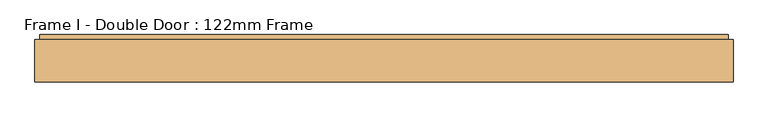
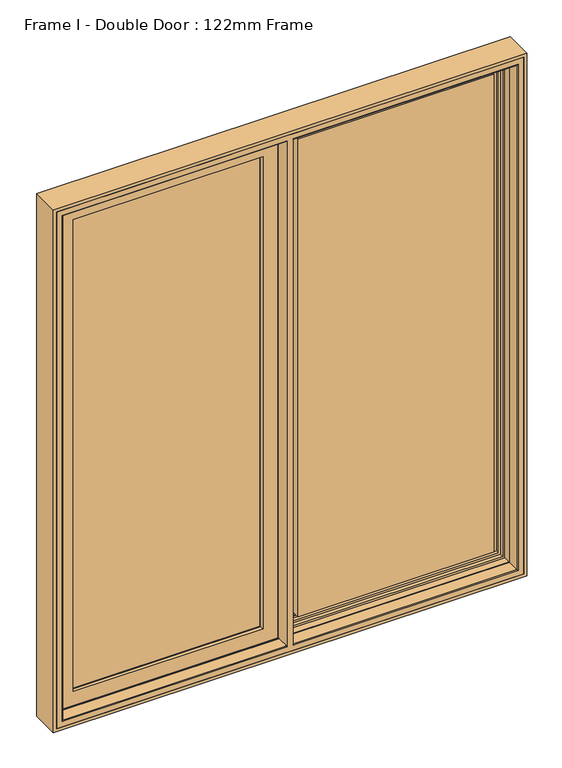
"""IFC4 building model written with IfcOpenShell, lengths in millimetres: door geometry, Frame I - Double Door : 122mm Frame."""

from ifc_helpers import new_model, si_unit, frame, origin, place, context, project, spatial, polyline, circle_curve, ellipse_curve, outline, extrude, source, transform, mapped, element, save
from ifc_brep_helpers import plane_surface, cylinder_surface, revolved_surface, advanced_brep


def frame_i_double_door_122mm_frame_8d9b63d0(model_context):
    return source(origin(), model_context, "Body", "SolidModel", [
        extrude(outline(polyline([(-810.0, 141.0), (-65.6, 141.0), (-65.6, 93.0), (-810.0, 93.0), (-810.0, 141.0)])), frame((0.0, 0.0, 90.0), z_axis=(0.0, 0.0, 1.0), x_axis=(1.0, 0.0, 0.0)), (0.0, 0.0, 1.0), 1920.0),
        advanced_brep(
        [(-43.2001533, 153.0, 2032.3998467), (-43.2001533, 148.4070391, 2032.3998467), (-43.2001533, 148.4070391, 67.6001533), (-43.2001533, 153.0, 67.6001533), (-37.9260611, 139.5531262, 2037.6739389), (-37.9260611, 139.5531262, 62.3260611), (-832.3998467, 148.4070391, 67.6001533), (-832.3998467, 153.0, 67.6001533), (-832.3998467, 153.0, 2032.3998467), (-62.6368924, 153.0, 2012.9631076), (-812.9631076, 153.0, 2012.9631076), (-812.9631076, 153.0, 87.0368924), (-62.6368924, 153.0, 87.0368924), (-36.0866045, 139.5531262, 60.4866045), (-839.5133955, 139.5531262, 60.4866045), (-839.5133955, 139.5531262, 2039.5133955), (-36.0866045, 139.5531262, 2039.5133955), (-837.6739389, 139.5531262, 2037.6739389), (-837.6739389, 139.5531262, 62.3260611), (-36.0866045, 121.0, 2039.5133955), (-36.0866045, 121.0, 60.4866045), (-26.0866045, 121.0, 50.4866045), (-849.5133955, 121.0, 50.4866045), (-849.5133955, 121.0, 2049.5133955), (-26.0866045, 121.0, 2049.5133955), (-839.5133955, 121.0, 2039.5133955), (-839.5133955, 121.0, 60.4866045), (-26.0866045, 88.5, 2049.5133955), (-26.0866045, 88.5, 50.4866045), (-15.3023, 88.5, 39.7023001), (-860.2977, 88.5, 39.7023001), (-860.2977, 88.5, 2060.2977), (-15.3023, 88.5, 2060.2977), (-849.5133955, 88.5, 2049.5133955), (-849.5133955, 88.5, 50.4866045), (-15.3023, 83.5, 2060.2977), (-15.3023, 83.5, 39.7023001), (-860.2977, 83.5, 2060.2977), (-860.2977, 83.5, 39.7023001), (-22.1, 83.5, 46.5), (-853.5, 83.5, 46.5), (-853.5, 83.5, 2053.5), (-22.1, 83.5, 2053.5), (-22.1, 78.0, 2053.5), (-22.1, 78.0, 46.5), (-853.5, 78.0, 2053.5), (-853.5, 78.0, 46.5), (-77.2842184, 78.0, 101.6842184), (-798.3157816, 78.0, 101.6842184), (-798.3157816, 78.0, 1998.3157816), (-77.2842184, 78.0, 1998.3157816), (-79.5996933, 88.8934531, 1996.0003067), (-79.5996933, 88.8934531, 103.9996933), (-79.5996933, 93.0, 1996.0003067), (-79.5996933, 93.0, 103.9996933), (-796.0003067, 88.8934531, 103.9996933), (-65.6, 93.0, 90.0), (-810.0, 93.0, 90.0), (-810.0, 93.0, 2010.0), (-65.6, 93.0, 2010.0), (-796.0003067, 93.0, 1996.0003067), (-796.0003067, 93.0, 103.9996933), (-65.6, 141.0, 2010.0), (-65.6, 141.0, 90.0), (-810.0, 141.0, 2010.0), (-810.0, 141.0, 90.0), (-80.0121514, 141.0, 104.4121514), (-795.5878486, 141.0, 104.4121514), (-795.5878486, 141.0, 1995.5878486), (-80.0121514, 141.0, 1995.5878486), (-76.3433832, 153.0, 1999.2566168), (-76.3433832, 153.0, 100.7433832), (-69.5650956, 153.0, 93.9650956), (-806.0349044, 153.0, 93.9650956), (-806.0349044, 153.0, 2006.0349044), (-69.5650956, 153.0, 2006.0349044), (-799.2566168, 153.0, 1999.2566168), (-799.2566168, 153.0, 100.7433832), (-68.2660575, 152.25, 2007.3339425), (-68.2660575, 152.25, 92.6660575), (-63.9359305, 152.25, 2011.6640695), (-63.9359305, 152.25, 88.3359305), (-807.3339425, 152.25, 92.6660575), (-811.6640695, 152.25, 88.3359305), (-832.3998467, 148.4070391, 2032.3998467), (-796.0003067, 88.8934531, 1996.0003067), (-807.3339425, 152.25, 2007.3339425), (-811.6640695, 152.25, 2011.6640695)],
        [
            (0, 1),
            (1, 2),
            (2, 3),
            (3, 0),
            (1, 4),
            (4, 5),
            (5, 2),
            (2, 6),
            (6, 7),
            (7, 3),
            (7, 8),
            (8, 0),
            (9, 10),
            (10, 11),
            (11, 12),
            (12, 9),
            (13, 14),
            (14, 15),
            (15, 16),
            (16, 13),
            (4, 17),
            (17, 18),
            (18, 5),
            (18, 6),
            (16, 19),
            (19, 20),
            (20, 13),
            (21, 22),
            (22, 23),
            (23, 24),
            (24, 21),
            (19, 25),
            (25, 26),
            (26, 20),
            (26, 14),
            (24, 27),
            (27, 28),
            (28, 21),
            (29, 30),
            (30, 31),
            (31, 32),
            (32, 29),
            (27, 33),
            (33, 34),
            (34, 28),
            (34, 22),
            (32, 35),
            (35, 36),
            (36, 29),
            (35, 37),
            (37, 38),
            (38, 36),
            (39, 40),
            (40, 41),
            (41, 42),
            (42, 39),
            (38, 30),
            (42, 43),
            (43, 44),
            (44, 39),
            (43, 45),
            (45, 46),
            (46, 44),
            (47, 48),
            (48, 49),
            (49, 50),
            (50, 47),
            (46, 40),
            (50, 51),
            (51, 52),
            (52, 47),
            (51, 53),
            (53, 54),
            (54, 52),
            (52, 55),
            (55, 48),
            (56, 57),
            (57, 58),
            (58, 59),
            (59, 56),
            (53, 60),
            (60, 61),
            (61, 54),
            (61, 55),
            (59, 62),
            (62, 63),
            (63, 56),
            (62, 64),
            (64, 65),
            (65, 63),
            (66, 67),
            (67, 68),
            (68, 69),
            (69, 66),
            (65, 57),
            (69, 70),
            (70, 71),
            (71, 66),
            (72, 73),
            (73, 74),
            (74, 75),
            (75, 72),
            (70, 76),
            (76, 77),
            (77, 71),
            (77, 67),
            (75, 78, ellipse_curve(frame((-69.5650956, 151.5, 2006.0349044), z_axis=(0.7071067811865472, 0.0, -0.7071067811865478), x_axis=(0.7071067811865478, 0.0, 0.7071067811865474)), 2.1213203, 1.5)),
            (78, 79),
            (79, 72, ellipse_curve(frame((-69.5650956, 151.5, 93.9650956), z_axis=(0.7071067811865476, 0.0, 0.7071067811865474), x_axis=(-0.7071067811865474, 0.0, 0.7071067811865478)), 2.1213203, 1.5)),
            (78, 80, ellipse_curve(frame((-66.100994, 153.5, 2009.499006), z_axis=(-0.7071067811865472, 0.0, 0.7071067811865478), x_axis=(-0.7071067811865478, 0.0, -0.7071067811865474)), 3.5355339, 2.5)),
            (80, 81),
            (81, 79, ellipse_curve(frame((-66.100994, 153.5, 90.500994), z_axis=(-0.7071067811865476, 0.0, -0.7071067811865474), x_axis=(0.7071067811865474, 0.0, -0.7071067811865478)), 3.5355339, 2.5)),
            (79, 82),
            (82, 73, ellipse_curve(frame((-806.0349044, 151.5, 93.9650956), z_axis=(0.7071067811865474, 0.0, -0.7071067811865476), x_axis=(0.7071067811865478, 0.0, 0.7071067811865474)), 2.1213203, 1.5)),
            (80, 9, ellipse_curve(frame((-62.6368924, 151.5, 2012.9631076), z_axis=(0.7071067811865472, 0.0, -0.7071067811865478), x_axis=(0.7071067811865478, 0.0, 0.7071067811865474)), 2.1213203, 1.5)),
            (12, 81, ellipse_curve(frame((-62.6368924, 151.5, 87.0368924), z_axis=(0.7071067811865476, 0.0, 0.7071067811865474), x_axis=(-0.7071067811865474, 0.0, 0.7071067811865478)), 2.1213203, 1.5)),
            (81, 83),
            (83, 82, ellipse_curve(frame((-809.499006, 153.5, 90.500994), z_axis=(-0.7071067811865474, 0.0, 0.7071067811865476), x_axis=(-0.7071067811865478, 0.0, -0.7071067811865474)), 3.5355339, 2.5)),
            (11, 83, ellipse_curve(frame((-812.9631076, 151.5, 87.0368924), z_axis=(0.7071067811865474, 0.0, -0.7071067811865476), x_axis=(0.7071067811865478, 0.0, 0.7071067811865474)), 2.1213203, 1.5)),
            (6, 84),
            (84, 8),
            (17, 84),
            (25, 15),
            (33, 23),
            (37, 31),
            (45, 41),
            (55, 85),
            (85, 49),
            (60, 85),
            (64, 58),
            (76, 68),
            (82, 86),
            (86, 74, ellipse_curve(frame((-806.0349044, 151.5, 2006.0349044), z_axis=(-0.7071067811865478, 0.0, -0.7071067811865472), x_axis=(0.7071067811865471, 0.0, -0.7071067811865478)), 2.1213203, 1.5)),
            (83, 87),
            (87, 86, ellipse_curve(frame((-809.499006, 153.5, 2009.499006), z_axis=(0.7071067811865478, 0.0, 0.7071067811865472), x_axis=(-0.7071067811865471, 0.0, 0.7071067811865478)), 3.5355339, 2.5)),
            (10, 87, ellipse_curve(frame((-812.9631076, 151.5, 2012.9631076), z_axis=(-0.7071067811865478, 0.0, -0.7071067811865472), x_axis=(0.7071067811865471, 0.0, -0.7071067811865478)), 2.1213203, 1.5)),
            (84, 1),
            (85, 51),
            (86, 78),
            (87, 80),
        ],
        [
            plane_surface(frame((-43.2001533, 148.4070391, 2032.3998467), z_axis=(1.0, 0.0, 0.0), x_axis=(0.0, 0.0, -1.0))),
            plane_surface(frame((-37.9260611, 139.5531262, 2037.6739389), z_axis=(0.8591262587254928, 0.5117636872310675, 0.0), x_axis=(0.0, 0.0, -1.0))),
            plane_surface(frame((-43.2001533, 148.4070391, 67.6001533), z_axis=(0.0, 0.0, -1.0), x_axis=(-1.0, 0.0, 0.0))),
            plane_surface(frame((-832.3998467, 153.0, 2032.3998467), z_axis=(0.0, 1.0, 0.0), x_axis=(1.0, 0.0, 0.0))),
            plane_surface(frame((-839.5133955, 139.5531262, 2039.5133955), z_axis=(0.0, 1.0, 0.0), x_axis=(1.0, 0.0, 0.0))),
            plane_surface(frame((-37.9260611, 139.5531262, 62.3260611), z_axis=(0.0, 0.5117636872310675, -0.8591262587254928), x_axis=(-1.0, 0.0, 0.0))),
            plane_surface(frame((-36.0866045, 121.0, 2039.5133955), z_axis=(1.0, 0.0, 0.0), x_axis=(0.0, 0.0, -1.0))),
            plane_surface(frame((-849.5133955, 121.0, 2049.5133955), z_axis=(0.0, 1.0, 0.0), x_axis=(1.0, 0.0, 0.0))),
            plane_surface(frame((-36.0866045, 121.0, 60.4866045), z_axis=(0.0, 0.0, -1.0), x_axis=(-1.0, 0.0, 0.0))),
            plane_surface(frame((-26.0866045, 88.5, 2049.5133955), z_axis=(1.0, 0.0, 0.0), x_axis=(0.0, 0.0, -1.0))),
            plane_surface(frame((-860.2977, 88.5, 2060.2977), z_axis=(0.0, 1.0, 0.0), x_axis=(1.0, 0.0, 0.0))),
            plane_surface(frame((-26.0866045, 88.5, 50.4866045), z_axis=(0.0, 0.0, -1.0), x_axis=(-1.0, 0.0, 0.0))),
            plane_surface(frame((-15.3023, 83.5, 2060.2977), z_axis=(1.0, 0.0, 0.0), x_axis=(0.0, 0.0, -1.0))),
            plane_surface(frame((-853.5, 83.5, 2053.5), z_axis=(0.0, -1.0, 0.0), x_axis=(1.0, 0.0, 0.0))),
            plane_surface(frame((-15.3023, 83.5, 39.7023001), z_axis=(0.0, 0.0, -1.0), x_axis=(-1.0, 0.0, 0.0))),
            plane_surface(frame((-22.1, 78.0, 2053.5), z_axis=(1.0, 0.0, 0.0), x_axis=(0.0, 0.0, -1.0))),
            plane_surface(frame((-798.3157816, 78.0, 1998.3157816), z_axis=(0.0, -1.0, 0.0), x_axis=(1.0, 0.0, 0.0))),
            plane_surface(frame((-22.1, 78.0, 46.5), z_axis=(0.0, 0.0, -1.0), x_axis=(-1.0, 0.0, 0.0))),
            plane_surface(frame((-79.5996933, 88.8934531, 1996.0003067), z_axis=(-0.9781476007338059, -0.20791169081775832, 0.0), x_axis=(0.0, 0.0, -1.0))),
            plane_surface(frame((-79.5996933, 93.0, 1996.0003067), z_axis=(-1.0, 0.0, 0.0), x_axis=(0.0, 0.0, -1.0))),
            plane_surface(frame((-79.5996933, 88.8934531, 103.9996933), z_axis=(0.0, -0.20791169081775832, 0.9781476007338059), x_axis=(-1.0, 0.0, 0.0))),
            plane_surface(frame((-810.0, 93.0, 2010.0), z_axis=(0.0, 1.0, 0.0), x_axis=(1.0, 0.0, 0.0))),
            plane_surface(frame((-79.5996933, 93.0, 103.9996933), z_axis=(0.0, 0.0, 1.0), x_axis=(-1.0, 0.0, 0.0))),
            plane_surface(frame((-65.6, 141.0, 2010.0), z_axis=(-1.0, 0.0, 0.0), x_axis=(0.0, 0.0, -1.0))),
            plane_surface(frame((-795.5878486, 141.0, 1995.5878486), z_axis=(0.0, -1.0, 0.0), x_axis=(1.0, 0.0, 0.0))),
            plane_surface(frame((-65.6, 141.0, 90.0), z_axis=(0.0, 0.0, 1.0), x_axis=(-1.0, 0.0, 0.0))),
            plane_surface(frame((-76.3433832, 153.0, 1999.2566168), z_axis=(-0.9563047559629768, 0.2923717047229288, 0.0), x_axis=(0.0, 0.0, -1.0))),
            plane_surface(frame((-806.0349044, 153.0, 2006.0349044), z_axis=(0.0, 1.0, 0.0), x_axis=(1.0, 0.0, 0.0))),
            plane_surface(frame((-76.3433832, 153.0, 100.7433832), z_axis=(0.0, 0.2923717047229288, 0.9563047559629768), x_axis=(-1.0, 0.0, 0.0))),
            cylinder_surface(frame((-69.5650956, 151.5, 2037.6), z_axis=(0.0, 0.0, 1.0), x_axis=(0.0, 1.0, 0.0)), 1.5),
            revolved_surface(polyline([(-66.100994, 156.0, 88.00099400419504), (-66.100994, 156.0, 2011.999005995805)]), (-66.100994, 153.5, 2037.6), (0.0, 0.0, -1.0)),
            cylinder_surface(frame((-38.0, 151.5, 93.9650956), z_axis=(1.0, 0.0, 0.0), x_axis=(0.0, 1.0, 0.0)), 1.5),
            cylinder_surface(frame((-62.6368924, 151.5, 2037.6), z_axis=(0.0, 0.0, 1.0), x_axis=(0.0, 1.0, 0.0)), 1.5),
            revolved_surface(polyline([(-811.999005995805, 156.0, 90.500994), (-63.60099400419508, 156.0, 90.500994)]), (-38.0, 153.5, 90.500994), (-1.0, 0.0, 0.0)),
            cylinder_surface(frame((-38.0, 151.5, 87.0368924), z_axis=(1.0, 0.0, 0.0), x_axis=(0.0, 1.0, 0.0)), 1.5),
            plane_surface(frame((-832.3998467, 148.4070391, 67.6001533), z_axis=(-1.0, 0.0, 0.0), x_axis=(0.0, 0.0, 1.0))),
            plane_surface(frame((-837.6739389, 139.5531262, 62.3260611), z_axis=(-0.8591262587254928, 0.5117636872310675, 0.0), x_axis=(0.0, 0.0, 1.0))),
            plane_surface(frame((-839.5133955, 121.0, 60.4866045), z_axis=(-1.0, 0.0, 0.0), x_axis=(0.0, 0.0, 1.0))),
            plane_surface(frame((-849.5133955, 88.5, 50.4866045), z_axis=(-1.0, 0.0, 0.0), x_axis=(0.0, 0.0, 1.0))),
            plane_surface(frame((-860.2977, 83.5, 39.7023001), z_axis=(-1.0, 0.0, 0.0), x_axis=(0.0, 0.0, 1.0))),
            plane_surface(frame((-853.5, 78.0, 46.5), z_axis=(-1.0, 0.0, 0.0), x_axis=(0.0, 0.0, 1.0))),
            plane_surface(frame((-796.0003067, 88.8934531, 103.9996933), z_axis=(0.9781476007338059, -0.20791169081775832, 0.0), x_axis=(0.0, 0.0, 1.0))),
            plane_surface(frame((-796.0003067, 93.0, 103.9996933), z_axis=(1.0, 0.0, 0.0), x_axis=(0.0, 0.0, 1.0))),
            plane_surface(frame((-810.0, 141.0, 90.0), z_axis=(1.0, 0.0, 0.0), x_axis=(0.0, 0.0, 1.0))),
            plane_surface(frame((-799.2566168, 153.0, 100.7433832), z_axis=(0.9563047559629768, 0.2923717047229288, 0.0), x_axis=(0.0, 0.0, 1.0))),
            cylinder_surface(frame((-806.0349044, 151.5, 62.4), z_axis=(0.0, 0.0, -1.0), x_axis=(0.0, 1.0, 0.0)), 1.5),
            revolved_surface(polyline([(-809.499006, 156.0, 2011.999005995805), (-809.499006, 156.0, 88.00099400419509)]), (-809.499006, 153.5, 62.4), (0.0, 0.0, 1.0)),
            cylinder_surface(frame((-812.9631076, 151.5, 62.4), z_axis=(0.0, 0.0, -1.0), x_axis=(0.0, 1.0, 0.0)), 1.5),
            plane_surface(frame((-832.3998467, 148.4070391, 2032.3998467), z_axis=(0.0, 0.0, 1.0), x_axis=(1.0, 0.0, 0.0))),
            plane_surface(frame((-837.6739389, 139.5531262, 2037.6739389), z_axis=(0.0, 0.5117636872310676, 0.8591262587254928), x_axis=(1.0, 0.0, 0.0))),
            plane_surface(frame((-839.5133955, 121.0, 2039.5133955), z_axis=(0.0, 0.0, 1.0), x_axis=(1.0, 0.0, 0.0))),
            plane_surface(frame((-849.5133955, 88.5, 2049.5133955), z_axis=(0.0, 0.0, 1.0), x_axis=(1.0, 0.0, 0.0))),
            plane_surface(frame((-860.2977, 83.5, 2060.2977), z_axis=(0.0, 0.0, 1.0), x_axis=(1.0, 0.0, 0.0))),
            plane_surface(frame((-853.5, 78.0, 2053.5), z_axis=(0.0, 0.0, 1.0), x_axis=(1.0, 0.0, 0.0))),
            plane_surface(frame((-796.0003067, 88.8934531, 1996.0003067), z_axis=(0.0, -0.20791169081775837, -0.9781476007338059), x_axis=(1.0, 0.0, 0.0))),
            plane_surface(frame((-796.0003067, 93.0, 1996.0003067), z_axis=(0.0, 0.0, -1.0), x_axis=(1.0, 0.0, 0.0))),
            plane_surface(frame((-810.0, 141.0, 2010.0), z_axis=(0.0, 0.0, -1.0), x_axis=(1.0, 0.0, 0.0))),
            plane_surface(frame((-799.2566168, 153.0, 1999.2566168), z_axis=(0.0, 0.29237170472292884, -0.9563047559629768), x_axis=(1.0, 0.0, 0.0))),
            cylinder_surface(frame((-837.6, 151.5, 2006.0349044), z_axis=(-1.0, 0.0, 0.0), x_axis=(0.0, 1.0, 0.0)), 1.5),
            revolved_surface(polyline([(-63.60099400419506, 156.0, 2009.499006), (-811.999005995805, 156.0, 2009.499006)]), (-837.6, 153.5, 2009.499006), (1.0, 0.0, 0.0)),
            cylinder_surface(frame((-837.6, 151.5, 2012.9631076), z_axis=(-1.0, 0.0, 0.0), x_axis=(0.0, 1.0, 0.0)), 1.5),
        ],
        [
            (0, [[1, 2, 3, 4]]),
            (1, [[5, 6, 7, -2]]),
            (2, [[-3, 8, 9, 10]]),
            (3, [[-10, 11, 12, -4], [13, 14, 15, 16]]),
            (4, [[17, 18, 19, 20], [21, 22, 23, -6]]),
            (5, [[-7, -23, 24, -8]]),
            (6, [[25, 26, 27, -20]]),
            (7, [[28, 29, 30, 31], [32, 33, 34, -26]]),
            (8, [[-27, -34, 35, -17]]),
            (9, [[36, 37, 38, -31]]),
            (10, [[39, 40, 41, 42], [43, 44, 45, -37]]),
            (11, [[-38, -45, 46, -28]]),
            (12, [[47, 48, 49, -42]]),
            (13, [[50, 51, 52, -48], [53, 54, 55, 56]]),
            (14, [[-49, -52, 57, -39]]),
            (15, [[58, 59, 60, -56]]),
            (16, [[61, 62, 63, -59], [64, 65, 66, 67]]),
            (17, [[-60, -63, 68, -53]]),
            (18, [[69, 70, 71, -67]]),
            (19, [[72, 73, 74, -70]]),
            (20, [[-71, 75, 76, -64]]),
            (21, [[77, 78, 79, 80], [81, 82, 83, -73]]),
            (22, [[-74, -83, 84, -75]]),
            (23, [[85, 86, 87, -80]]),
            (24, [[88, 89, 90, -86], [91, 92, 93, 94]]),
            (25, [[-87, -90, 95, -77]]),
            (26, [[96, 97, 98, -94]]),
            (27, [[99, 100, 101, 102], [103, 104, 105, -97]]),
            (28, [[-98, -105, 106, -91]]),
            (29, [[107, 108, 109, -102]]),
            (30, [[110, 111, 112, -108]]),
            (31, [[-109, 113, 114, -99]]),
            (32, [[115, -16, 116, -111]]),
            (33, [[-112, 117, 118, -113]]),
            (34, [[-116, -15, 119, -117]]),
            (35, [[-9, 120, 121, -11]]),
            (36, [[-24, -22, 122, -120]]),
            (37, [[-35, -33, 123, -18]]),
            (38, [[-46, -44, 124, -29]]),
            (39, [[-57, -51, 125, -40]]),
            (40, [[-68, -62, 126, -54]]),
            (41, [[-76, 127, 128, -65]]),
            (42, [[-84, -82, 129, -127]]),
            (43, [[-95, -89, 130, -78]]),
            (44, [[-106, -104, 131, -92]]),
            (45, [[-114, 132, 133, -100]]),
            (46, [[-118, 134, 135, -132]]),
            (47, [[-119, -14, 136, -134]]),
            (48, [[-121, 137, -1, -12]]),
            (49, [[-122, -21, -5, -137]]),
            (50, [[-123, -32, -25, -19]]),
            (51, [[-124, -43, -36, -30]]),
            (52, [[-125, -50, -47, -41]]),
            (53, [[-126, -61, -58, -55]]),
            (54, [[-128, 138, -69, -66]]),
            (55, [[-129, -81, -72, -138]]),
            (56, [[-130, -88, -85, -79]]),
            (57, [[-131, -103, -96, -93]]),
            (58, [[-133, 139, -107, -101]]),
            (59, [[-135, 140, -110, -139]]),
            (60, [[-136, -13, -115, -140]]),
        ],
    ),
        advanced_brep(
        [(-864.0, 83.0, 2064.0), (-864.0, 35.0, 2064.0), (-864.0, 35.0, 36.0), (-864.0, 83.0, 36.0), (-867.0, 32.0, 2067.0), (-867.0, 32.0, 33.0), (-12.0, 35.0, 36.0), (-12.0, 83.0, 36.0), (864.0, 35.0, 36.0), (864.0, 83.0, 36.0), (12.0, 83.0, 36.0), (12.0, 35.0, 36.0), (-12.0, 83.0, 38.0), (-862.0, 83.0, 38.0), (-862.0, 83.0, 2062.0), (-12.0, 83.0, 2062.0), (-12.0, 83.0, 2064.0), (864.0, 83.0, 2064.0), (12.0, 83.0, 2064.0), (12.0, 83.0, 2062.0), (862.0, 83.0, 2062.0), (862.0, 83.0, 38.0), (12.0, 83.0, 38.0), (-862.0, 111.4, 2062.0), (-862.0, 111.4, 38.0), (-12.0, 91.0, 38.0), (-20.2, 91.0, 38.0), (-17.695195, 111.4, 38.0), (862.0, 111.4, 38.0), (17.695195, 111.4, 38.0), (20.2, 91.0, 38.0), (12.0, 91.0, 38.0), (-17.695195, 111.4, 46.0999998), (-853.9000002, 111.4, 46.0999998), (-853.9000002, 111.4, 2053.9000002), (-17.695195, 111.4, 2053.9000002), (-17.695195, 111.4, 2062.0), (862.0, 111.4, 2062.0), (17.695195, 111.4, 2062.0), (17.695195, 111.4, 2053.9000002), (853.9000002, 111.4, 2053.9000002), (853.9000002, 111.4, 46.0999998), (17.695195, 111.4, 46.0999998), (-853.9000002, 126.0, 2053.9000002), (-853.9000002, 126.0, 46.0999998), (-15.9025404, 126.0, 46.0999998), (853.9000002, 126.0, 46.0999998), (15.9025404, 126.0, 46.0999998), (-15.9025404, 126.0, 53.2798057), (-846.7201943, 126.0, 53.2798057), (-846.7201943, 126.0, 2046.7201943), (-15.9025404, 126.0, 2046.7201943), (-15.9025404, 126.0, 2053.9000002), (853.9000002, 126.0, 2053.9000002), (15.9025404, 126.0, 2053.9000002), (15.9025404, 126.0, 2046.7201943), (846.7201943, 126.0, 2046.7201943), (846.7201943, 126.0, 53.2798057), (15.9025404, 126.0, 53.2798057), (-846.7201943, 140.2372876, 2046.7201943), (-846.7201943, 140.2372876, 53.2798057), (-14.1544213, 140.2372876, 53.2798057), (846.7201943, 140.2372876, 53.2798057), (14.1544213, 140.2372876, 53.2798057), (-14.1544213, 140.2372876, 61.9868914), (-838.0131086, 140.2372876, 61.9868914), (-838.0131086, 140.2372876, 2038.0131086), (-14.1544213, 140.2372876, 2038.0131086), (-14.1544213, 140.2372876, 2046.7201943), (846.7201943, 140.2372876, 2046.7201943), (14.1544213, 140.2372876, 2046.7201943), (14.1544213, 140.2372876, 2038.0131086), (838.0131086, 140.2372876, 2038.0131086), (838.0131086, 140.2372876, 61.9868914), (14.1544213, 140.2372876, 61.9868914), (-838.0131086, 143.3877115, 2038.0131086), (-838.0131086, 143.3877115, 61.9868914), (-13.9379874, 142.0, 61.9868914), (-38.4111574, 142.0, 61.9868914), (-37.9868914, 143.3877115, 61.9868914), (838.0131086, 143.3877115, 61.9868914), (37.9868914, 143.3877115, 61.9868914), (38.4111574, 142.0, 61.9868914), (13.9379874, 142.0, 61.9868914), (-841.2576108, 154.0, 58.7423892), (-841.2576108, 154.0, 2041.2576108), (-34.7423892, 154.0, 58.7423892), (841.2576108, 154.0, 58.7423892), (34.7423892, 154.0, 58.7423892), (888.0, 154.0, 12.0), (-888.0, 154.0, 12.0), (-888.0, 154.0, 2088.0), (888.0, 154.0, 2088.0), (-34.7423892, 154.0, 2041.2576108), (841.2576108, 154.0, 2041.2576108), (34.7423892, 154.0, 2041.2576108), (-888.0, 90.5, 2088.0), (-888.0, 90.5, 12.0), (888.0, 90.5, 12.0), (12.0, 90.5, 12.0), (12.0, 86.5, 12.0), (888.0, 86.5, 12.0), (888.0, 32.0, 12.0), (-888.0, 32.0, 12.0), (-888.0, 86.5, 12.0), (-12.0, 86.5, 12.0), (-12.0, 90.5, 12.0), (-12.0, 90.5, 19.0), (-881.0, 90.5, 19.0), (-881.0, 90.5, 2081.0), (-12.0, 90.5, 2081.0), (-12.0, 90.5, 2088.0), (888.0, 90.5, 2088.0), (12.0, 90.5, 2088.0), (12.0, 90.5, 2081.0), (881.0, 90.5, 2081.0), (881.0, 90.5, 19.0), (12.0, 90.5, 19.0), (-12.0, 32.0, 33.0), (867.0, 32.0, 33.0), (12.0, 32.0, 33.0), (-12.0, 86.5, 19.0), (-12.0, 32.0, 2067.0), (-12.0, 35.0, 2064.0), (-12.0, 91.0, 2062.0), (-12.0, 86.5, 2088.0), (-12.0, 86.5, 2081.0), (864.0, 35.0, 2064.0), (12.0, 86.5, 19.0), (12.0, 32.0, 2067.0), (12.0, 91.0, 2062.0), (12.0, 35.0, 2064.0), (12.0, 86.5, 2088.0), (12.0, 86.5, 2081.0), (-20.2, 91.0, 2062.0), (-13.9379874, 142.0, 2038.0131086), (20.2, 91.0, 2062.0), (13.9379874, 142.0, 2038.0131086), (-38.4111574, 142.0, 2038.0131086), (-37.9868914, 143.3877115, 2038.0131086), (838.0131086, 143.3877115, 2038.0131086), (37.9868914, 143.3877115, 2038.0131086), (38.4111574, 142.0, 2038.0131086), (-881.0, 86.5, 2081.0), (-881.0, 86.5, 19.0), (-888.0, 86.5, 2088.0), (881.0, 86.5, 19.0), (881.0, 86.5, 2081.0), (888.0, 86.5, 2088.0), (888.0, 32.0, 2088.0), (-888.0, 32.0, 2088.0), (867.0, 32.0, 2067.0)],
        [
            (0, 1),
            (1, 2),
            (2, 3),
            (3, 0),
            (1, 4, ellipse_curve(frame((-867.0, 35.0, 2067.0), z_axis=(-0.7071067811865475, 0.0, -0.7071067811865475), x_axis=(-0.7071067811865474, 0.0, 0.7071067811865476)), 4.2426407, 3.0)),
            (4, 5),
            (5, 2, ellipse_curve(frame((-867.0, 35.0, 33.0), z_axis=(-0.7071067811865475, 0.0, 0.7071067811865475), x_axis=(0.7071067811865474, 0.0, 0.7071067811865476)), 4.2426407, 3.0)),
            (2, 6),
            (6, 7),
            (7, 3),
            (8, 9),
            (9, 10),
            (10, 11),
            (11, 8),
            (7, 12),
            (12, 13),
            (13, 14),
            (14, 15),
            (15, 16),
            (16, 0),
            (9, 17),
            (17, 18),
            (18, 19),
            (19, 20),
            (20, 21),
            (21, 22),
            (22, 10),
            (23, 14),
            (13, 24),
            (24, 23),
            (12, 25),
            (25, 26),
            (26, 27),
            (27, 24),
            (21, 28),
            (28, 29),
            (29, 30),
            (30, 31),
            (31, 22),
            (27, 32),
            (32, 33),
            (33, 34),
            (34, 35),
            (35, 36),
            (36, 23),
            (28, 37),
            (37, 38),
            (38, 39),
            (39, 40),
            (40, 41),
            (41, 42),
            (42, 29),
            (43, 34),
            (33, 44),
            (44, 43),
            (32, 45),
            (45, 44),
            (41, 46),
            (46, 47),
            (47, 42),
            (45, 48),
            (48, 49),
            (49, 50),
            (50, 51),
            (51, 52),
            (52, 43),
            (46, 53),
            (53, 54),
            (54, 55),
            (55, 56),
            (56, 57),
            (57, 58),
            (58, 47),
            (59, 50),
            (49, 60),
            (60, 59),
            (48, 61),
            (61, 60),
            (57, 62),
            (62, 63),
            (63, 58),
            (61, 64),
            (64, 65),
            (65, 66),
            (66, 67),
            (67, 68),
            (68, 59),
            (62, 69),
            (69, 70),
            (70, 71),
            (71, 72),
            (72, 73),
            (73, 74),
            (74, 63),
            (75, 66),
            (65, 76),
            (76, 75),
            (64, 77),
            (77, 78),
            (78, 79),
            (79, 76),
            (73, 80),
            (80, 81),
            (81, 82),
            (82, 83),
            (83, 74),
            (76, 84),
            (84, 85),
            (85, 75),
            (79, 86),
            (86, 84),
            (80, 87),
            (87, 88),
            (88, 81),
            (89, 90),
            (90, 91),
            (91, 92),
            (92, 89),
            (86, 93),
            (93, 85),
            (94, 95),
            (95, 88),
            (87, 94),
            (96, 91),
            (90, 97),
            (97, 96),
            (89, 98),
            (98, 99),
            (99, 100),
            (100, 101),
            (101, 102),
            (102, 103),
            (103, 104),
            (104, 105),
            (105, 106),
            (106, 97),
            (106, 107),
            (107, 108),
            (108, 109),
            (109, 110),
            (110, 111),
            (111, 96),
            (98, 112),
            (112, 113),
            (113, 114),
            (114, 115),
            (115, 116),
            (116, 117),
            (117, 99),
            (5, 118),
            (118, 6, circle_curve(frame((-12.0, 35.0, 33.0), z_axis=(-1.0, 0.0, 0.0), x_axis=(0.0, 1.0, 0.0)), 3.0)),
            (119, 8, ellipse_curve(frame((867.0, 35.0, 33.0), z_axis=(-0.7071067811865475, 0.0, -0.7071067811865475), x_axis=(-0.7071067811865476, 0.0, 0.7071067811865474)), 4.2426407, 3.0)),
            (11, 120, circle_curve(frame((12.0, 35.0, 33.0), z_axis=(1.0, 0.0, 0.0), x_axis=(0.0, 1.0, 0.0)), 3.0)),
            (120, 119),
            (105, 121),
            (121, 107),
            (118, 122),
            (122, 123, circle_curve(frame((-12.0, 35.0, 2067.0), z_axis=(1.0, 0.0, 0.0), x_axis=(0.0, 1.0, 0.0)), 3.0)),
            (123, 16),
            (15, 124),
            (124, 25),
            (125, 111),
            (110, 126),
            (126, 125),
            (8, 127),
            (127, 17),
            (117, 128),
            (128, 100),
            (129, 120),
            (31, 130),
            (130, 19),
            (18, 131),
            (131, 129, circle_curve(frame((12.0, 35.0, 2067.0), z_axis=(-1.0, 0.0, 0.0), x_axis=(0.0, 1.0, 0.0)), 3.0)),
            (113, 132),
            (132, 133),
            (133, 114),
            (134, 26),
            (124, 134),
            (135, 77),
            (134, 36),
            (35, 52),
            (51, 68),
            (67, 135),
            (20, 37),
            (136, 30),
            (83, 137),
            (137, 71),
            (70, 55),
            (54, 39),
            (38, 136),
            (136, 130),
            (40, 53),
            (56, 69),
            (138, 78),
            (135, 138),
            (138, 139),
            (139, 93),
            (72, 140),
            (140, 80),
            (95, 141),
            (141, 142),
            (142, 82),
            (142, 137),
            (140, 94),
            (92, 112),
            (143, 144),
            (144, 121),
            (104, 145),
            (145, 125),
            (126, 143),
            (146, 147),
            (147, 133),
            (132, 148),
            (148, 101),
            (128, 146),
            (149, 102),
            (148, 149),
            (149, 150),
            (150, 103),
            (4, 122),
            (129, 151),
            (151, 119),
            (150, 145),
            (151, 127, ellipse_curve(frame((867.0, 35.0, 2067.0), z_axis=(0.7071067811865475, 0.0, -0.7071067811865475), x_axis=(-0.7071067811865474, 0.0, -0.7071067811865476)), 4.2426407, 3.0)),
            (143, 109),
            (108, 144),
            (116, 146),
            (115, 147),
            (123, 1),
            (127, 131),
            (75, 139),
            (141, 140),
        ],
        [
            plane_surface(frame((-864.0, 35.0, 2064.0), z_axis=(1.0, 0.0, 0.0), x_axis=(0.0, 0.0, -1.0))),
            cylinder_surface(frame((-867.0, 35.0, 2088.0), z_axis=(0.0, 0.0, 1.0), x_axis=(0.0, 1.0, 0.0)), 3.0),
            plane_surface(frame((-864.0, 35.0, 36.0), z_axis=(0.0, 0.0, 1.0), x_axis=(1.0, 0.0, 0.0))),
            plane_surface(frame((864.0, 83.0, 2064.0), z_axis=(0.0, -1.0, 0.0), x_axis=(-1.0, 0.0, 0.0))),
            plane_surface(frame((-862.0, 83.0, 2062.0), z_axis=(1.0, 0.0, 0.0), x_axis=(0.0, 0.0, -1.0))),
            plane_surface(frame((-862.0, 83.0, 38.0), z_axis=(0.0, 0.0, 1.0), x_axis=(1.0, 0.0, 0.0))),
            plane_surface(frame((862.0, 111.4, 2062.0), z_axis=(0.0, -1.0, 0.0), x_axis=(-1.0, 0.0, 0.0))),
            plane_surface(frame((-853.9000002, 111.4, 2053.9000002), z_axis=(1.0, 0.0, 0.0), x_axis=(0.0, 0.0, -1.0))),
            plane_surface(frame((-853.9000002, 111.4, 46.0999998), z_axis=(0.0, 0.0, 1.0), x_axis=(1.0, 0.0, 0.0))),
            plane_surface(frame((853.9000002, 126.0, 2053.9000002), z_axis=(0.0, -1.0, 0.0), x_axis=(-1.0, 0.0, 0.0))),
            plane_surface(frame((-846.7201943, 126.0, 2046.7201943), z_axis=(1.0, 0.0, 0.0), x_axis=(0.0, 0.0, -1.0))),
            plane_surface(frame((-846.7201943, 126.0, 53.2798057), z_axis=(0.0, 0.0, 1.0), x_axis=(1.0, 0.0, 0.0))),
            plane_surface(frame((846.7201943, 140.2372876, 2046.7201943), z_axis=(0.0, -1.0, 0.0), x_axis=(-1.0, 0.0, 0.0))),
            plane_surface(frame((-838.0131086, 140.2372876, 2038.0131086), z_axis=(1.0, 0.0, 0.0), x_axis=(0.0, 0.0, -1.0))),
            plane_surface(frame((-838.0131086, 140.2372876, 61.9868914), z_axis=(0.0, 0.0, 1.0), x_axis=(1.0, 0.0, 0.0))),
            plane_surface(frame((-838.0131086, 143.3877115, 2038.0131086), z_axis=(0.956304755962936, 0.2923717047230623, 0.0), x_axis=(0.0, 0.0, -1.0))),
            plane_surface(frame((-838.0131086, 143.3877115, 61.9868914), z_axis=(0.0, 0.2923717047230623, 0.956304755962936), x_axis=(1.0, 0.0, 0.0))),
            plane_surface(frame((841.2576108, 154.0, 2041.2576108), z_axis=(0.0, 1.0, 0.0), x_axis=(-1.0, 0.0, 0.0))),
            plane_surface(frame((-888.0, 154.0, 2088.0), z_axis=(-1.0, 0.0, 0.0), x_axis=(0.0, 0.0, -1.0))),
            plane_surface(frame((-888.0, 154.0, 12.0), z_axis=(0.0, 0.0, -1.0), x_axis=(1.0, 0.0, 0.0))),
            plane_surface(frame((888.0, 90.5, 2088.0), z_axis=(0.0, -1.0, 0.0), x_axis=(-1.0, 0.0, 0.0))),
            cylinder_surface(frame((-888.0, 35.0, 33.0), z_axis=(-1.0, 0.0, 0.0), x_axis=(0.0, 1.0, 0.0)), 3.0),
            plane_surface(frame((-12.0, 91.0, 2088.0), z_axis=(-1.0, 0.0, 0.0), x_axis=(0.0, 0.0, -1.0))),
            plane_surface(frame((864.0, 35.0, 36.0), z_axis=(-1.0, 0.0, 0.0), x_axis=(0.0, 0.0, 1.0))),
            plane_surface(frame((12.0, 32.0, 2088.0), z_axis=(1.0, 0.0, 0.0), x_axis=(0.0, 0.0, -1.0))),
            plane_surface(frame((-20.2, 91.0, 2088.0), z_axis=(0.0, -1.0, 0.0), x_axis=(0.0, 0.0, -1.0))),
            plane_surface(frame((-13.9379874, 142.0, 2088.0), z_axis=(-0.9925461516413188, 0.12186934340517401, 0.0), x_axis=(0.0, 0.0, -1.0))),
            plane_surface(frame((862.0, 83.0, 38.0), z_axis=(-1.0, 0.0, 0.0), x_axis=(0.0, 0.0, 1.0))),
            plane_surface(frame((20.2, 91.0, 2088.0), z_axis=(0.9925461516413152, 0.12186934340520379, 0.0), x_axis=(0.0, 0.0, -1.0))),
            plane_surface(frame((12.0, 91.0, 2088.0), z_axis=(0.0, -1.0, 0.0), x_axis=(0.0, 0.0, -1.0))),
            plane_surface(frame((853.9000002, 111.4, 46.0999998), z_axis=(-1.0, 0.0, 0.0), x_axis=(0.0, 0.0, 1.0))),
            plane_surface(frame((846.7201943, 126.0, 53.2798057), z_axis=(-1.0, 0.0, 0.0), x_axis=(0.0, 0.0, 1.0))),
            plane_surface(frame((-38.4111574, 142.0, 2088.0), z_axis=(0.0, -1.0, 0.0), x_axis=(0.0, 0.0, -1.0))),
            plane_surface(frame((-34.7423892, 154.0, 2088.0), z_axis=(-0.9563047559630359, 0.2923717047227355, 0.0), x_axis=(0.0, 0.0, -1.0))),
            plane_surface(frame((838.0131086, 140.2372876, 61.9868914), z_axis=(-1.0, 0.0, 0.0), x_axis=(0.0, 0.0, 1.0))),
            plane_surface(frame((38.4111574, 142.0, 2088.0), z_axis=(0.956304755963034, 0.2923717047227417, 0.0), x_axis=(0.0, 0.0, -1.0))),
            plane_surface(frame((13.9379874, 142.0, 2088.0), z_axis=(0.0, -1.0, 0.0), x_axis=(0.0, 0.0, -1.0))),
            plane_surface(frame((838.0131086, 143.3877115, 61.9868914), z_axis=(-0.956304755962936, 0.2923717047230623, 0.0), x_axis=(0.0, 0.0, 1.0))),
            plane_surface(frame((888.0, 154.0, 12.0), z_axis=(1.0, 0.0, 0.0), x_axis=(0.0, 0.0, 1.0))),
            plane_surface(frame((881.0, 86.5, 2081.0), z_axis=(0.0, 1.0, 0.0), x_axis=(-1.0, 0.0, 0.0))),
            plane_surface(frame((888.0, 86.5, 12.0), z_axis=(1.0, 0.0, 0.0), x_axis=(0.0, 0.0, 1.0))),
            plane_surface(frame((888.0, 32.0, 2088.0), z_axis=(0.0, -1.0, 0.0), x_axis=(-1.0, 0.0, 0.0))),
            plane_surface(frame((-888.0, 86.5, 2088.0), z_axis=(-1.0, 0.0, 0.0), x_axis=(0.0, 0.0, -1.0))),
            cylinder_surface(frame((867.0, 35.0, 12.0), z_axis=(0.0, 0.0, -1.0), x_axis=(0.0, 1.0, 0.0)), 3.0),
            plane_surface(frame((-881.0, 90.5, 2081.0), z_axis=(-1.0, 0.0, 0.0), x_axis=(0.0, 0.0, -1.0))),
            plane_surface(frame((-881.0, 90.5, 19.0), z_axis=(0.0, 0.0, -1.0), x_axis=(1.0, 0.0, 0.0))),
            plane_surface(frame((881.0, 90.5, 19.0), z_axis=(1.0, 0.0, 0.0), x_axis=(0.0, 0.0, 1.0))),
            plane_surface(frame((864.0, 35.0, 2064.0), z_axis=(0.0, 0.0, -1.0), x_axis=(-1.0, 0.0, 0.0))),
            plane_surface(frame((862.0, 83.0, 2062.0), z_axis=(0.0, 0.0, -1.0), x_axis=(-1.0, 0.0, 0.0))),
            plane_surface(frame((853.9000002, 111.4, 2053.9000002), z_axis=(0.0, 0.0, -1.0), x_axis=(-1.0, 0.0, 0.0))),
            plane_surface(frame((846.7201943, 126.0, 2046.7201943), z_axis=(0.0, 0.0, -1.0), x_axis=(-1.0, 0.0, 0.0))),
            plane_surface(frame((838.0131086, 140.2372876, 2038.0131086), z_axis=(0.0, 0.0, -1.0), x_axis=(-1.0, 0.0, 0.0))),
            plane_surface(frame((838.0131086, 143.3877115, 2038.0131086), z_axis=(0.0, 0.2923717047230623, -0.956304755962936), x_axis=(-1.0, 0.0, 0.0))),
            plane_surface(frame((888.0, 154.0, 2088.0), z_axis=(0.0, 0.0, 1.0), x_axis=(-1.0, 0.0, 0.0))),
            cylinder_surface(frame((888.0, 35.0, 2067.0), z_axis=(1.0, 0.0, 0.0), x_axis=(0.0, 1.0, 0.0)), 3.0),
            plane_surface(frame((881.0, 90.5, 2081.0), z_axis=(0.0, 0.0, 1.0), x_axis=(-1.0, 0.0, 0.0))),
        ],
        [
            (0, [[1, 2, 3, 4]]),
            (1, [[-2, 5, 6, 7]]),
            (2, [[-3, 8, 9, 10]]),
            (2, [[11, 12, 13, 14]]),
            (3, [[-4, -10, 15, 16, 17, 18, 19, 20]]),
            (3, [[21, 22, 23, 24, 25, 26, 27, -12]]),
            (4, [[28, -17, 29, 30]]),
            (5, [[-29, -16, 31, 32, 33, 34]]),
            (5, [[35, 36, 37, 38, 39, -26]]),
            (6, [[-30, -34, 40, 41, 42, 43, 44, 45]]),
            (6, [[46, 47, 48, 49, 50, 51, 52, -36]]),
            (7, [[53, -42, 54, 55]]),
            (8, [[-54, -41, 56, 57]]),
            (8, [[58, 59, 60, -51]]),
            (9, [[-55, -57, 61, 62, 63, 64, 65, 66]]),
            (9, [[67, 68, 69, 70, 71, 72, 73, -59]]),
            (10, [[74, -63, 75, 76]]),
            (11, [[-75, -62, 77, 78]]),
            (11, [[79, 80, 81, -72]]),
            (12, [[-76, -78, 82, 83, 84, 85, 86, 87]]),
            (12, [[88, 89, 90, 91, 92, 93, 94, -80]]),
            (13, [[95, -84, 96, 97]]),
            (14, [[-96, -83, 98, 99, 100, 101]]),
            (14, [[102, 103, 104, 105, 106, -93]]),
            (15, [[-97, 107, 108, 109]]),
            (16, [[-107, -101, 110, 111]]),
            (16, [[112, 113, 114, -103]]),
            (17, [[115, 116, 117, 118], [-108, -111, 119, 120], [121, 122, -113, 123]]),
            (18, [[124, -116, 125, 126]]),
            (19, [[-125, -115, 127, 128, 129, 130, 131, 132, 133, 134, 135, 136]]),
            (20, [[-126, -136, 137, 138, 139, 140, 141, 142]]),
            (20, [[143, 144, 145, 146, 147, 148, 149, -128]]),
            (21, [[-7, 150, 151, -8]]),
            (21, [[152, -14, 153, 154]]),
            (22, [[-135, 155, 156, -137]]),
            (22, [[157, 158, 159, -19, 160, 161, -31, -15, -9, -151]]),
            (22, [[162, -141, 163, 164]]),
            (23, [[-11, 165, 166, -21]]),
            (24, [[-129, -149, 167, 168]]),
            (24, [[169, -153, -13, -27, -39, 170, 171, -23, 172, 173]]),
            (24, [[174, 175, 176, -145]]),
            (25, [[177, -32, -161, 178]]),
            (26, [[179, -98, -82, -77, -61, -56, -40, -33, -177, 180, -44, 181, -65, 182, -86, 183]]),
            (27, [[-35, -25, 184, -46]]),
            (28, [[185, -37, -52, -60, -73, -81, -94, -106, 186, 187, -90, 188, -69, 189, -48, 190]]),
            (29, [[-170, -38, -185, 191]]),
            (30, [[-58, -50, 192, -67]]),
            (31, [[-79, -71, 193, -88]]),
            (32, [[194, -99, -179, 195]]),
            (33, [[-119, -110, -100, -194, 196, 197]]),
            (34, [[-102, -92, 198, 199]]),
            (35, [[-122, 200, 201, 202, -104, -114]]),
            (36, [[-186, -105, -202, 203]]),
            (37, [[-112, -199, 204, -123]]),
            (38, [[-127, -118, 205, -143]]),
            (39, [[206, 207, -155, -134, 208, 209, -164, 210]]),
            (39, [[211, 212, -175, 213, 214, -130, -168, 215]]),
            (40, [[216, -131, -214, 217]]),
            (41, [[-132, -216, 218, 219], [-6, 220, -157, -150], [-154, -169, 221, 222]]),
            (42, [[-219, 223, -208, -133]]),
            (43, [[-165, -152, -222, 224]]),
            (44, [[225, -139, 226, -206]]),
            (45, [[-226, -138, -156, -207]]),
            (45, [[227, -215, -167, -148]]),
            (46, [[-227, -147, 228, -211]]),
            (47, [[-1, -20, -159, 229]]),
            (47, [[-166, 230, -172, -22]]),
            (48, [[-28, -45, -180, -178, -160, -18]]),
            (48, [[-184, -24, -171, -191, -190, -47]]),
            (49, [[-53, -66, -181, -43]]),
            (49, [[-192, -49, -189, -68]]),
            (50, [[-74, -87, -182, -64]]),
            (50, [[-193, -70, -188, -89]]),
            (51, [[-95, 231, -196, -195, -183, -85]]),
            (51, [[-198, -91, -187, -203, -201, 232]]),
            (52, [[-109, -120, -197, -231]]),
            (52, [[-204, -232, -200, -121]]),
            (53, [[-117, -124, -142, -162, -209, -223, -218, -217, -213, -174, -144, -205]]),
            (54, [[-5, -229, -158, -220]]),
            (54, [[-224, -221, -173, -230]]),
            (55, [[-225, -210, -163, -140]]),
            (55, [[-228, -146, -176, -212]]),
        ],
    ),
        extrude(outline(polyline([(2100.0, -900.0), (0.0, -900.0), (0.0, 900.0), (2100.0, 900.0), (2100.0, -900.0)]), holes=[polyline([(2088.0, 888.0), (12.0, 888.0), (12.0, -888.0), (2088.0, -888.0), (2088.0, 888.0)])]), frame((0.0, 32.0, 0.0), z_axis=(0.0, 1.0, 0.0), x_axis=(0.0, 0.0, 1.0)), (0.0, 0.0, 1.0), 109.0),
        extrude(outline(polyline([(65.6, 141.0), (810.0, 141.0), (810.0, 93.0), (65.6, 93.0), (65.6, 141.0)])), frame((0.0, 0.0, 90.0), z_axis=(0.0, 0.0, 1.0), x_axis=(1.0, 0.0, 0.0)), (0.0, 0.0, 1.0), 1920.0),
    ])


if __name__ == "__main__":
    model = new_model("IFC4")
    model_context = context("Model", 3, world=origin())
    ifc_project = project(units=[si_unit("LENGTHUNIT", "METRE", prefix="MILLI")], contexts=[model_context])
    site = spatial("IfcSite", under=ifc_project)
    building = spatial("IfcBuilding", under=site)
    placement = place(None, origin())
    frame_i_double_door_122mm_frame_shape = frame_i_double_door_122mm_frame_8d9b63d0(model_context)
    element("IfcDoor", 1, ObjectType="Frame I - Double Door : 122mm Frame", at=placement, inside=building, context=model_context, shape_type="MappedRepresentation", body=[
        mapped(frame_i_double_door_122mm_frame_shape, transform((0.0, 0.0, 0.0), x_axis=(1.0, 0.0, 0.0), y_axis=(0.0, 1.0, 0.0), z_axis=(0.0, 0.0, 1.0))),
    ])
    save(model, "model.ifc")
